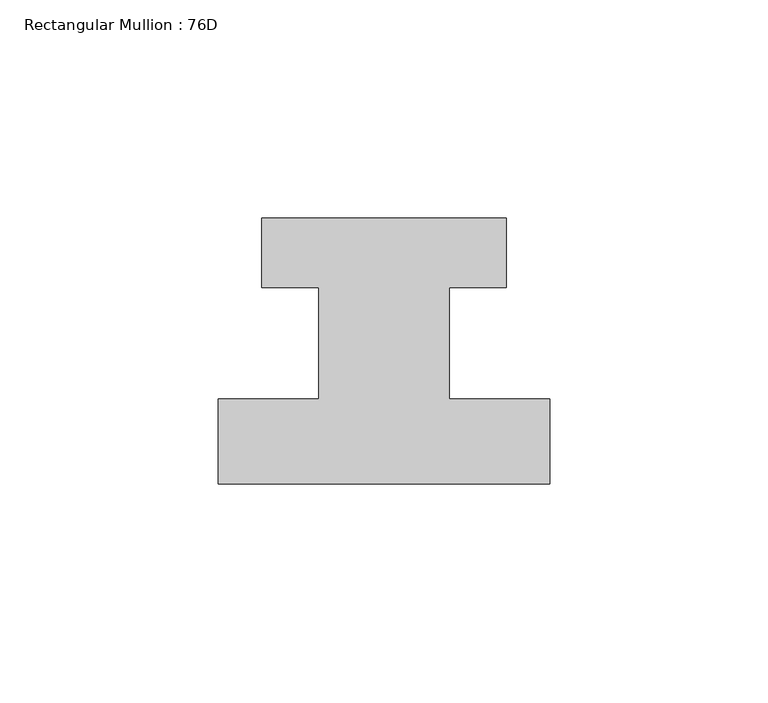
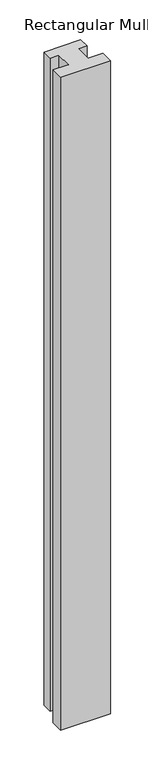
"""IFC4 building model written with IfcOpenShell, lengths in millimetres: member geometry, Rectangular Mullion : 76D."""

from ifc_helpers import new_model, si_unit, frame, origin, place, context, project, spatial, polyline, outline, extrude, source, transform, mapped, element, save


def rectangular_mullion_76d_3efb7443(model_context):
    return source(origin(), model_context, "Body", "SweptSolid", [
        extrude(outline(polyline([(38.0, -20.0), (-38.0, -20.0), (-38.0, -0.5), (-15.0, -0.5), (-15.0, 25.0), (-28.0, 25.0), (-28.0, 41.0), (28.0, 41.0), (28.0, 25.0), (15.0, 25.0), (15.0, -0.5), (38.0, -0.5), (38.0, -20.0)])), frame((0.0, 0.0, -1055.0), z_axis=(0.0, 0.0, 1.0), x_axis=(1.0, 0.0, 0.0)), (0.0, 0.0, 1.0), 1055.0),
    ])


if __name__ == "__main__":
    model = new_model("IFC4")
    model_context = context("Model", 3, world=origin())
    ifc_project = project(units=[si_unit("LENGTHUNIT", "METRE", prefix="MILLI")], contexts=[model_context])
    site = spatial("IfcSite", under=ifc_project)
    building = spatial("IfcBuilding", under=site)
    placement = place(None, origin())
    rectangular_mullion_76d_shape = rectangular_mullion_76d_3efb7443(model_context)
    element("IfcMember", 1, ObjectType="Rectangular Mullion : 76D", at=placement, inside=building, context=model_context, shape_type="MappedRepresentation", body=[
        mapped(rectangular_mullion_76d_shape, transform((0.0, 0.0, 0.0), x_axis=(1.0, 0.0, 0.0), y_axis=(0.0, 1.0, 0.0), z_axis=(0.0, 0.0, 1.0))),
    ])
    save(model, "model.ifc")
